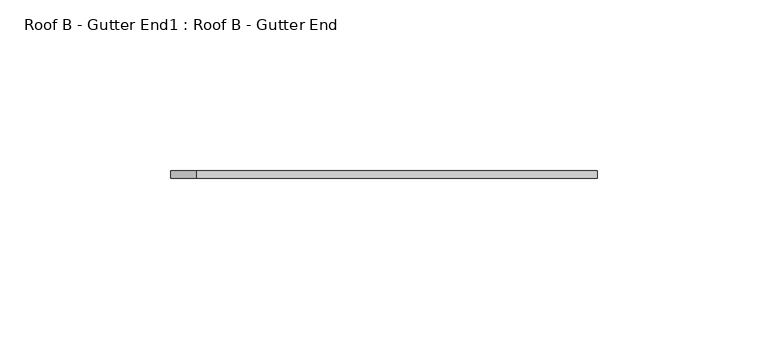
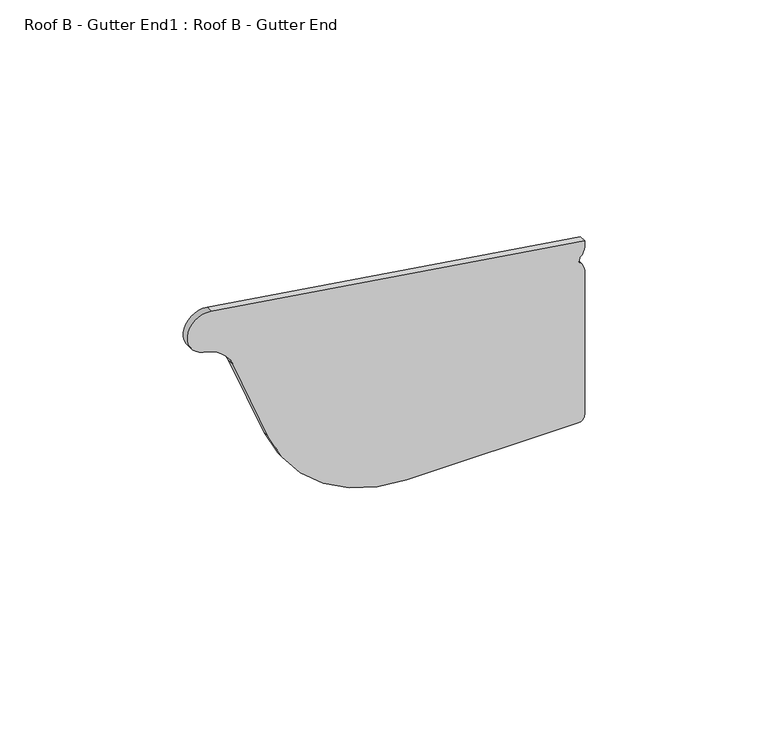
"""IFC4 building model written with IfcOpenShell, lengths in millimetres: proxy geometry, Roof B - Gutter End1 : Roof B - Gutter End."""

from ifc_helpers import new_model, si_unit, point, frame, frame_2d, origin, place, context, project, spatial, polyline, circle_curve, trimmed, segment, composite_curve, outline, extrude, source, transform, mapped, element, save


def roof_b_gutter_end1_roof_b_gutter_end_80381297(model_context):
    return source(origin(), model_context, "Body", "SweptSolid", [
        extrude(outline(composite_curve([segment(polyline([(3175.6763391, 33209.2670868), (3175.6763391, 33263.2670868)]), True, "CONTINUOUS"), segment(trimmed(circle_curve(frame_2d((3177.6763391, 33263.2670868)), 2.0), [point((3175.6763391, 33263.2670868))], [point((3177.6763391, 33265.2670868))], False, "CARTESIAN"), True, "CONTINUOUS"), segment(polyline([(3177.6763391, 33265.2670868), (3225.6370105, 33265.2670868)]), True, "CONTINUOUS"), segment(trimmed(circle_curve(frame_2d((3225.5307477, 33260.9584244)), 4.3099726), [point((3225.6370105, 33265.2670868))], [point((3228.6002352, 33263.9840004))], False, "CARTESIAN"), True, "CONTINUOUS"), segment(trimmed(circle_curve(frame_2d((3229.6002352, 33264.9696947)), 1.4041343), [point((3228.6002352, 33263.9840004))], [point((3230.6002352, 33263.9840004))], True, "CARTESIAN"), True, "CONTINUOUS"), segment(trimmed(circle_curve(frame_2d((3233.6697226, 33260.9584244)), 4.3099726), [point((3230.6002352, 33263.9840004))], [point((3233.5634599, 33265.2670868))], False, "CARTESIAN"), True, "CONTINUOUS"), segment(polyline([(3233.5634599, 33265.2670868), (3235.5885717, 33265.2670868), (3253.218254, 33147.7406836)]), True, "CONTINUOUS"), segment(trimmed(circle_curve(frame_2d((3246.7817717, 33146.7751717)), 6.5084958), [point((3253.218254, 33147.7406836))], [point((3240.4719989, 33145.1791501))], False, "CARTESIAN"), True, "CONTINUOUS"), segment(trimmed(circle_curve(frame_2d((3228.6974373, 33143.5873138)), 11.8816767), [point((3240.4719989, 33145.1791501))], [point((3233.0905136, 33154.6270205))], True, "CARTESIAN"), True, "CONTINUOUS"), segment(polyline([(3233.0905136, 33154.6270205), (3205.2164005, 33165.7190818)]), True, "CONTINUOUS"), segment(trimmed(circle_curve(frame_2d((3222.5456386, 33209.2670868)), 46.8692995), [point((3205.2164005, 33165.7190818))], [point((3175.6763391, 33209.2670868))], False, "CARTESIAN"), True, "CONTINUOUS")], self_intersect=False)), frame((0.0, -12369.6854872, 0.0), z_axis=(0.0, 1.0, 0.0), x_axis=(0.0, 0.0, 1.0)), (0.0, 0.0, 1.0), 2.2149942),
    ])


if __name__ == "__main__":
    model = new_model("IFC4")
    model_context = context("Model", 3, world=origin())
    ifc_project = project(units=[si_unit("LENGTHUNIT", "METRE", prefix="MILLI")], contexts=[model_context])
    site = spatial("IfcSite", under=ifc_project)
    building = spatial("IfcBuilding", under=site)
    placement = place(None, origin())
    roof_b_gutter_end1_roof_b_gutter_end_shape = roof_b_gutter_end1_roof_b_gutter_end_80381297(model_context)
    element("IfcBuildingElementProxy", 1, Name="Roof B - Gutter End1 : Roof B - Gutter End", ObjectType="Roof B - Gutter End1 : Roof B - Gutter End", at=placement, inside=building, context=model_context, shape_type="MappedRepresentation", body=[
        mapped(roof_b_gutter_end1_roof_b_gutter_end_shape, transform((0.0, 0.0, 0.0), x_axis=(1.0, 0.0, 0.0), y_axis=(0.0, 1.0, 0.0), z_axis=(0.0, 0.0, 1.0))),
    ])
    save(model, "model.ifc")
